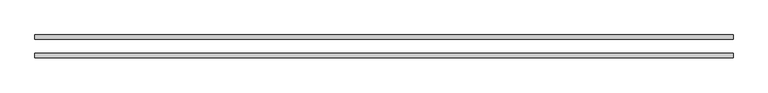
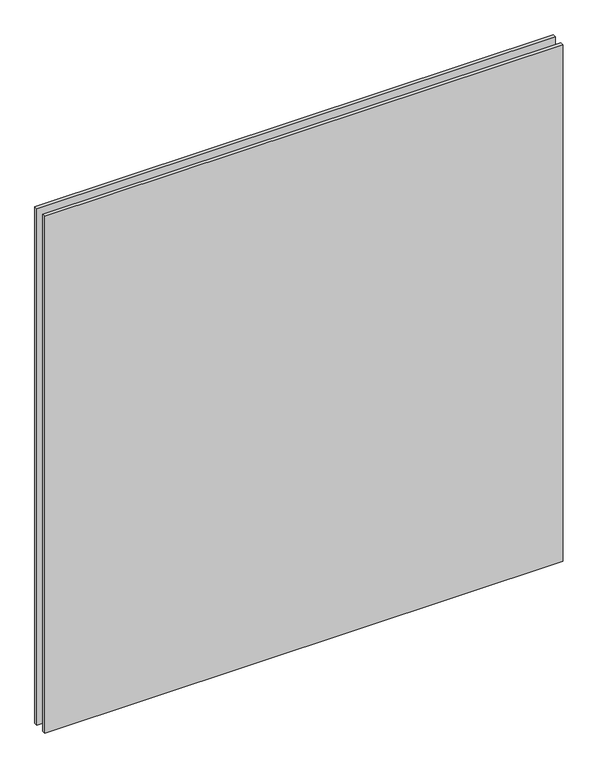
"""IFC4 building model written with IfcOpenShell, lengths in millimetres: plate geometry."""

from ifc_helpers import new_model, si_unit, origin, origin_with_axes, place, context, project, spatial, polyline, outline, extrude, source, transform, mapped, element, save


def plate_4057e2a4(model_context):
    return source(origin(), model_context, "Body", "SweptSolid", [
        extrude(outline(polyline([(612.5, -48.3), (-612.5, -48.3), (-612.5, -40.3), (612.5, -40.3), (612.5, -48.3)])), origin_with_axes(), (0.0, 0.0, 1.0), 1290.0),
        extrude(outline(polyline([(612.5, -16.3), (-612.5, -16.3), (-612.5, -8.3), (612.5, -8.3), (612.5, -16.3)])), origin_with_axes(), (0.0, 0.0, 1.0), 1290.0),
    ])


if __name__ == "__main__":
    model = new_model("IFC4")
    model_context = context("Model", 3, world=origin())
    ifc_project = project(units=[si_unit("LENGTHUNIT", "METRE", prefix="MILLI")], contexts=[model_context])
    site = spatial("IfcSite", under=ifc_project)
    building = spatial("IfcBuilding", under=site)
    placement = place(None, origin())
    plate_shape = plate_4057e2a4(model_context)
    element("IfcPlate", 1, at=placement, inside=building, context=model_context, shape_type="MappedRepresentation", body=[
        mapped(plate_shape, transform((0.0, 0.0, 0.0), x_axis=(1.0, 0.0, 0.0), y_axis=(0.0, 1.0, 0.0), z_axis=(0.0, 0.0, 1.0))),
    ])
    save(model, "model.ifc")
